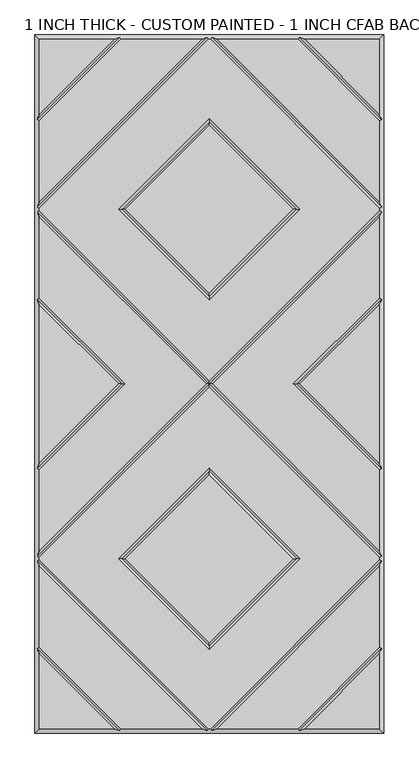
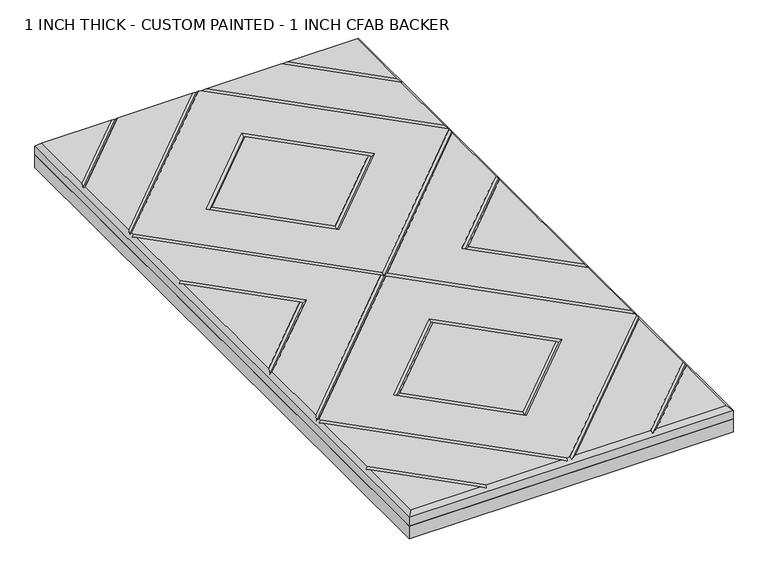
"""IFC4 building model written with IfcOpenShell, lengths in millimetres: proxy geometry, 1 INCH THICK - CUSTOM PAINTED - 1 INCH CFAB BACKER."""

from ifc_helpers import new_model, si_unit, frame, origin, place, context, project, spatial, polyline, outline, extrude, faceted_brep, source, transform, mapped, element, save


def proxy_1_inch_thick_custom_painted_1_inch_cfab_backer_fbe6e6c2(model_context):
    return source(origin(), model_context, "Body", "SolidModel", [
        extrude(outline(polyline([(-304.8, 609.6), (304.8, 609.6), (304.8, -609.6), (-304.8, -609.6), (-304.8, 609.6)])), frame((0.0, 0.0, -25.4), z_axis=(0.0, 0.0, 1.0), x_axis=(1.0, 0.0, 0.0)), (0.0, 0.0, 1.0), 25.4),
        faceted_brep([(296.799, 470.8590948, 25.4), (296.799, 601.599, 25.4), (166.0590948, 601.599, 25.4), (-166.0590948, 601.599, 25.4), (-296.799, 601.599, 25.4), (-296.799, 470.8590948, 25.4), (2.3434141, 601.599, 25.4), (-2.343464, 601.599, 25.4), (-296.799, 307.143464, 25.4), (-296.799, 302.4565868, 25.4), (0.0, 5.6575868, 25.4), (296.799, 302.4565868, 25.4), (296.799, 307.1434632, 25.4), (158.0575614, 304.8000254, 25.4), (0.0, 146.742464, 25.4), (-158.0575614, 304.8000254, 25.4), (0.0, 462.8575868, 25.4), (166.0590079, -601.599, 25.4), (296.799, -601.599, 25.4), (296.799, -470.8585721, 25.4), (-296.799, -601.599, 25.4), (-166.0590079, -601.599, 25.4), (-296.799, -470.8585721, 25.4), (-154.743972, 601.599, 25.4), (-296.799, 459.543972, 25.4), (-296.799, 318.4585868, 25.4), (-13.6585868, 601.599, 25.4), (-2.3434382, -601.599, 25.4), (2.3434382, -601.599, 25.4), (296.799, -307.1434137, 25.4), (296.799, -302.456536, 25.4), (0.0, -5.657536, 25.4), (-296.799, -302.456536, 25.4), (-296.799, -307.1434137, 25.4), (-158.0575614, -304.7999746, 25.4), (0.0, -146.7424132, 25.4), (158.0575614, -304.7999746, 25.4), (0.0, -462.857536, 25.4), (13.6585378, 601.599, 25.4), (296.799, 318.458585, 25.4), (296.799, 459.543972, 25.4), (154.743972, 601.599, 25.4), (296.799, -318.4585369, 25.4), (13.6585605, -601.599, 25.4), (154.743904, -601.599, 25.4), (296.799, -459.5434305, 25.4), (-13.6585605, -601.599, 25.4), (-296.799, -318.4585369, 25.4), (-296.799, -459.5434305, 25.4), (-154.743904, -601.599, 25.4), (0.0, 158.0575868, 25.4), (146.7424386, 304.8000254, 25.4), (0.0, 451.542464, 25.4), (-146.7424386, 304.8000254, 25.4), (-296.799, 291.141464, 25.4), (-296.799, 150.0565868, 25.4), (-146.7424386, 2.54e-05, 25.4), (-296.799, -150.056536, 25.4), (-296.799, -291.1414132, 25.4), (-5.6575614, 2.54e-05, 25.4), (-296.799, 138.741464, 25.4), (-296.799, -138.7414132, 25.4), (-158.0575614, 2.54e-05, 25.4), (5.6575614, 2.54e-05, 25.4), (296.799, -291.1414132, 25.4), (296.799, -150.056536, 25.4), (146.7424386, 2.54e-05, 25.4), (296.799, 150.0565868, 25.4), (296.799, 291.141464, 25.4), (296.799, -138.7414132, 25.4), (296.799, 138.741464, 25.4), (158.0575614, 2.54e-05, 25.4), (0.0, -158.057536, 25.4), (-146.7424386, -304.7999746, 25.4), (0.0, -451.5424132, 25.4), (146.7424386, -304.7999746, 25.4), (-304.8, 609.6, 0.0), (304.8, 609.6, 0.0), (304.8, -609.6, 0.0), (-304.8, -609.6, 0.0), (-304.8, -609.6, 17.399), (-304.8, 609.6, 17.399), (304.8, -609.6, 17.399), (304.8, 609.6, 17.399), (-156.4010334, 605.5995, 21.3995), (-4.0005254, 605.5995, 21.3995), (4.0004753, 605.5995, 21.3995), (156.4010334, 605.5995, 21.3995), (-300.7995, -461.2004879, 21.3995), (-300.7995, -308.8004749, 21.3995), (-300.7995, -300.7994746, 21.3995), (-300.7995, -148.3994746, 21.3995), (-300.7995, 148.3995254, 21.3995), (-300.7995, 300.7995254, 21.3995), (-300.7995, 308.8005254, 21.3995), (-300.7995, 461.2010334, 21.3995), (156.4009693, -605.5995, 21.3995), (4.0004997, -605.5995, 21.3995), (-4.0004997, -605.5995, 21.3995), (-156.4009693, -605.5995, 21.3995), (300.7995, 461.2010334, 21.3995), (300.7995, 308.8005247, 21.3995), (300.7995, 300.7995254, 21.3995), (300.7995, 148.3995254, 21.3995), (300.7995, -148.3994746, 21.3995), (300.7995, -300.7994746, 21.3995), (300.7995, -308.8004749, 21.3995), (300.7995, -461.2004879, 21.3995), (0.0, 2.54e-05, 21.3995), (152.4, 304.8000254, 21.3995), (0.0, 152.4000254, 21.3995), (-152.4, 304.8000254, 21.3995), (0.0, 457.2000254, 21.3995), (-152.4, 2.54e-05, 21.3995), (152.4, 2.54e-05, 21.3995), (0.0, -152.3999746, 21.3995), (-152.4, -304.7999746, 21.3995), (0.0, -457.1999746, 21.3995), (152.4, -304.7999746, 21.3995)], [[[0, 1, 2]], [[3, 4, 5]], [[6, 7, 8, 9, 10, 11, 12], [13, 14, 15, 16]], [[17, 18, 19]], [[20, 21, 22]], [[23, 24, 25, 26]], [[27, 28, 29, 30, 31, 32, 33], [34, 35, 36, 37]], [[38, 39, 40, 41]], [[42, 43, 44, 45]], [[46, 47, 48, 49]], [[50, 51, 52, 53]], [[54, 55, 56, 57, 58, 59]], [[60, 61, 62]], [[63, 64, 65, 66, 67, 68]], [[69, 70, 71]], [[72, 73, 74, 75]], [[76, 77, 78, 79]], [[76, 79, 80, 81]], [[79, 78, 82, 80]], [[78, 77, 83, 82]], [[77, 76, 81, 83]], [[81, 4, 3, 84, 23, 26, 85, 7, 6, 86, 38, 41, 87, 2, 1, 83]], [[4, 81, 80, 20, 22, 88, 48, 47, 89, 33, 32, 90, 58, 57, 91, 61, 60, 92, 55, 54, 93, 9, 8, 94, 25, 24, 95, 5]], [[20, 80, 82, 18, 17, 96, 44, 43, 97, 28, 27, 98, 46, 49, 99, 21]], [[83, 1, 0, 100, 40, 39, 101, 12, 11, 102, 68, 67, 103, 70, 69, 104, 65, 64, 105, 30, 29, 106, 42, 45, 107, 19, 18, 82]], [[84, 95, 24, 23]], [[95, 84, 3, 5]], [[101, 86, 6, 12]], [[86, 101, 39, 38]], [[85, 94, 8, 7]], [[94, 85, 26, 25]], [[9, 93, 108, 10]], [[105, 64, 63, 108]], [[93, 54, 59, 108]], [[30, 105, 108, 31]], [[106, 97, 43, 42]], [[97, 106, 29, 28]], [[98, 89, 47, 46]], [[89, 98, 27, 33]], [[109, 110, 14, 13]], [[110, 109, 51, 50]], [[14, 110, 111, 15]], [[110, 50, 53, 111]], [[15, 111, 112, 16]], [[111, 53, 52, 112]], [[109, 13, 16, 112]], [[51, 109, 112, 52]], [[87, 100, 0, 2]], [[100, 87, 41, 40]], [[113, 56, 55, 92]], [[62, 113, 92, 60]], [[56, 113, 91, 57]], [[113, 62, 61, 91]], [[90, 108, 59, 58]], [[108, 102, 11, 10]], [[108, 90, 32, 31]], [[102, 108, 63, 68]], [[114, 71, 70, 103]], [[66, 114, 103, 67]], [[71, 114, 104, 69]], [[114, 66, 65, 104]], [[115, 116, 73, 72]], [[116, 115, 35, 34]], [[73, 116, 117, 74]], [[116, 34, 37, 117]], [[74, 117, 118, 75]], [[117, 37, 36, 118]], [[115, 72, 75, 118]], [[35, 115, 118, 36]], [[88, 99, 49, 48]], [[99, 88, 22, 21]], [[107, 96, 17, 19]], [[96, 107, 45, 44]]]),
    ])


if __name__ == "__main__":
    model = new_model("IFC4")
    model_context = context("Model", 3, world=origin())
    ifc_project = project(units=[si_unit("LENGTHUNIT", "METRE", prefix="MILLI")], contexts=[model_context])
    site = spatial("IfcSite", under=ifc_project)
    building = spatial("IfcBuilding", under=site)
    placement = place(None, origin())
    proxy_1_inch_thick_custom_painted_1_inch_cfab_backer_shape = proxy_1_inch_thick_custom_painted_1_inch_cfab_backer_fbe6e6c2(model_context)
    element("IfcBuildingElementProxy", 1, Name="1 INCH THICK - CUSTOM PAINTED - 1 INCH CFAB BACKER", ObjectType="1 INCH THICK - CUSTOM PAINTED - 1 INCH CFAB BACKER", at=placement, inside=building, context=model_context, shape_type="MappedRepresentation", body=[
        mapped(proxy_1_inch_thick_custom_painted_1_inch_cfab_backer_shape, transform((0.0, 0.0, 0.0), x_axis=(1.0, 0.0, 0.0), y_axis=(0.0, 1.0, 0.0), z_axis=(0.0, 0.0, 1.0))),
    ])
    save(model, "model.ifc")
